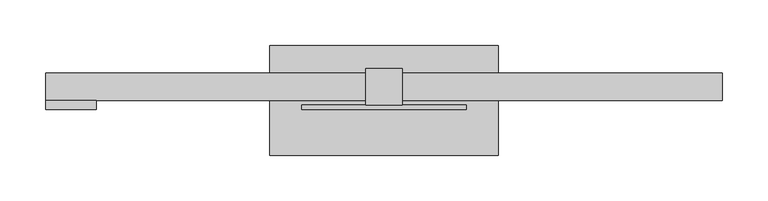
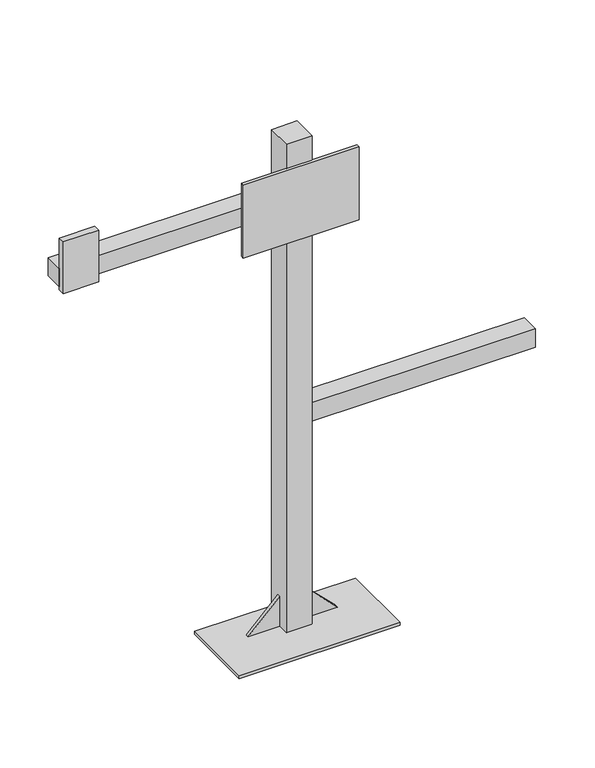
"""IFC4 building model written with IfcOpenShell, lengths in millimetres: flow terminal geometry."""

from ifc_helpers import new_model, si_unit, frame, origin, place, context, project, spatial, polyline, outline, extrude, source, transform, mapped, element, save


def flow_terminal_a41b6542(model_context):
    return source(origin(), model_context, "Body", "SweptSolid", [
        extrude(outline(polyline([(20.0, 10.0), (20.0, 40.0), (370.0, 40.0), (370.0, 10.0), (20.0, 10.0)])), frame((0.0, 0.0, -373.0), z_axis=(0.0, 0.0, 1.0), x_axis=(1.0, 0.0, 0.0)), (0.0, 0.0, 1.0), 30.0),
        extrude(outline(polyline([(-20.0, 40.0), (-20.0, 10.0), (-370.0, 10.0), (-370.0, 40.0), (-20.0, 40.0)])), frame((0.0, 0.0, -15.0), z_axis=(0.0, 0.0, 1.0), x_axis=(1.0, 0.0, 0.0)), (0.0, 0.0, 1.0), 30.0),
        extrude(outline(polyline([(125.0, 70.0), (125.0, -50.0), (-125.0, -50.0), (-125.0, 70.0), (125.0, 70.0)])), frame((0.0, 0.0, -708.0), z_axis=(0.0, 0.0, 1.0), x_axis=(1.0, 0.0, 0.0)), (0.0, 0.0, 1.0), 5.0),
        extrude(outline(polyline([(20.0, 5.0), (-20.0, 5.0), (-20.0, 45.0), (20.0, 45.0), (20.0, 5.0)])), frame((0.0, 0.0, -703.0), z_axis=(0.0, 0.0, 1.0), x_axis=(1.0, 0.0, 0.0)), (0.0, 0.0, 1.0), 802.696943),
        extrude(outline(polyline([(90.0, 0.0), (-90.0, 0.0), (-90.0, 5.0), (90.0, 5.0), (90.0, 0.0)])), frame((0.0, 0.0, -60.0), z_axis=(0.0, 0.0, 1.0), x_axis=(1.0, 0.0, 0.0)), (0.0, 0.0, 1.0), 120.0),
        extrude(outline(polyline([(-315.0, 0.0), (-370.0, 0.0), (-370.0, 10.0), (-315.0, 10.0), (-315.0, 0.0)])), frame((0.0, 0.0, -20.0), z_axis=(0.0, 0.0, 1.0), x_axis=(1.0, 0.0, 0.0)), (0.0, 0.0, 1.0), 85.0),
        extrude(outline(polyline([(-653.0, 20.0), (-703.0, 20.0), (-703.0, 70.0), (-653.0, 20.0)])), frame((0.0, 22.5, 0.0), z_axis=(0.0, 1.0, 0.0), x_axis=(0.0, 0.0, 1.0)), (0.0, 0.0, 1.0), 5.0),
        extrude(outline(polyline([(-653.0, -20.0), (-703.0, -70.0), (-703.0, -20.0), (-653.0, -20.0)])), frame((0.0, 22.5, 0.0), z_axis=(0.0, 1.0, 0.0), x_axis=(0.0, 0.0, 1.0)), (0.0, 0.0, 1.0), 5.0),
    ])


if __name__ == "__main__":
    model = new_model("IFC4")
    model_context = context("Model", 3, world=origin())
    ifc_project = project(units=[si_unit("LENGTHUNIT", "METRE", prefix="MILLI")], contexts=[model_context])
    site = spatial("IfcSite", under=ifc_project)
    building = spatial("IfcBuilding", under=site)
    placement = place(None, origin())
    flow_terminal_shape = flow_terminal_a41b6542(model_context)
    element("IfcFlowTerminal", 1, at=placement, inside=building, context=model_context, shape_type="MappedRepresentation", body=[
        mapped(flow_terminal_shape, transform((0.0, 0.0, 0.0), x_axis=(1.0, 0.0, 0.0), y_axis=(0.0, 1.0, 0.0), z_axis=(0.0, 0.0, 1.0))),
    ])
    save(model, "model.ifc")
